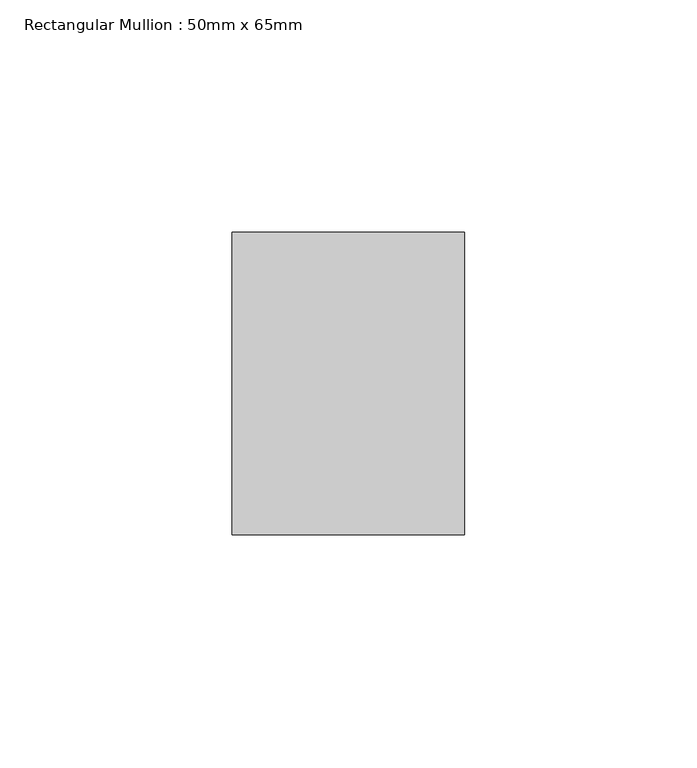
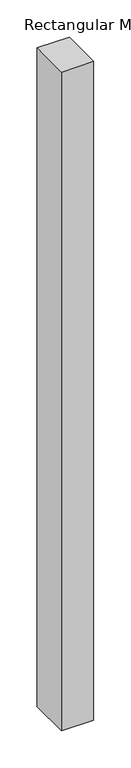
"""IFC4 building model written with IfcOpenShell, lengths in millimetres: member geometry, Rectangular Mullion : 50mm x 65mm."""

from ifc_helpers import new_model, si_unit, frame, origin, place, context, project, spatial, polyline, outline, extrude, source, transform, mapped, element, save


def rectangular_mullion_50mm_x_65mm_4e4d22e7(model_context):
    return source(origin(), model_context, "Body", "SweptSolid", [
        extrude(outline(polyline([(25.0, 32.5), (25.0, -32.5), (-25.0, -32.5), (-25.0, 32.5), (25.0, 32.5)])), frame((0.0, 0.0, -1078.0448378), z_axis=(0.0, 0.0, 1.0), x_axis=(1.0, 0.0, 0.0)), (0.0, 0.0, 1.0), 1078.0448378),
    ])


if __name__ == "__main__":
    model = new_model("IFC4")
    model_context = context("Model", 3, world=origin())
    ifc_project = project(units=[si_unit("LENGTHUNIT", "METRE", prefix="MILLI")], contexts=[model_context])
    site = spatial("IfcSite", under=ifc_project)
    building = spatial("IfcBuilding", under=site)
    placement = place(None, origin())
    rectangular_mullion_50mm_x_65mm_shape = rectangular_mullion_50mm_x_65mm_4e4d22e7(model_context)
    element("IfcMember", 1, ObjectType="Rectangular Mullion : 50mm x 65mm", at=placement, inside=building, context=model_context, shape_type="MappedRepresentation", body=[
        mapped(rectangular_mullion_50mm_x_65mm_shape, transform((0.0, 0.0, 0.0), x_axis=(1.0, 0.0, 0.0), y_axis=(0.0, 1.0, 0.0), z_axis=(0.0, 0.0, 1.0))),
    ])
    save(model, "model.ifc")
